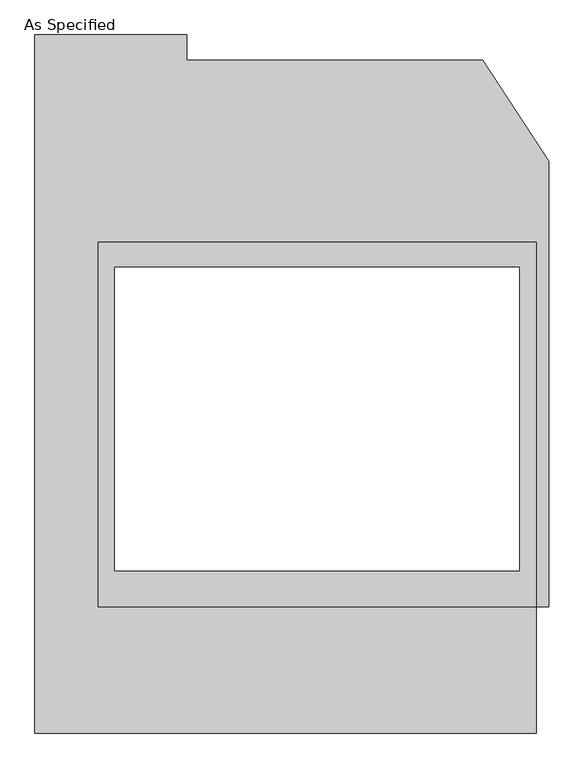
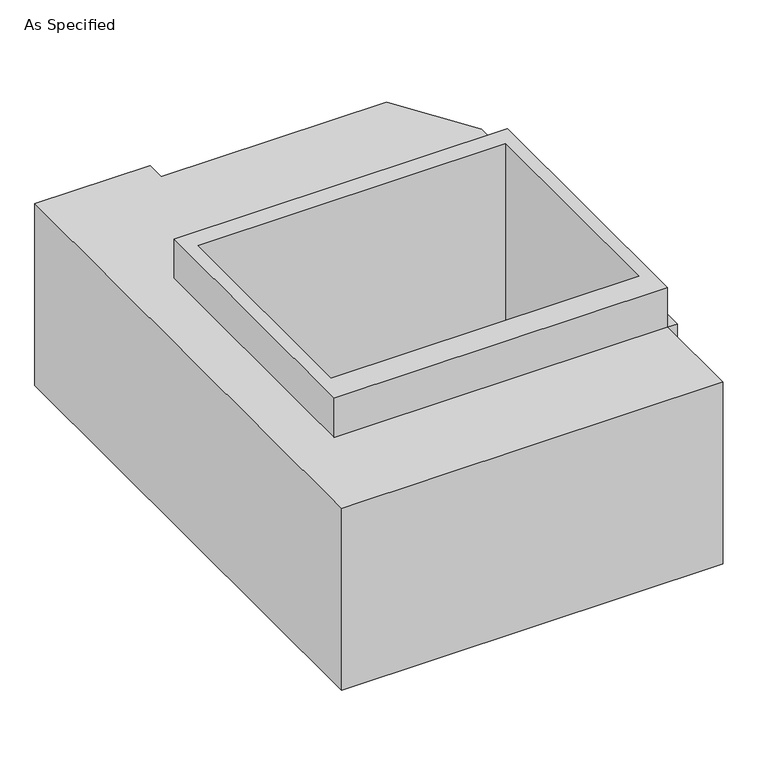
"""IFC4 building model written with IfcOpenShell, lengths in millimetres: proxy geometry, As Specified."""

from ifc_helpers import new_model, si_unit, frame, origin, place, context, project, spatial, polyline, outline, extrude, source, transform, mapped, element, save


def as_specified_9fbff9e7(model_context):
    return source(origin(), model_context, "Body", "SweptSolid", [
        extrude(outline(polyline([(660.4, 465.4351562), (660.4, -633.1148438), (-660.4, -633.1148438), (-660.4, 465.4351562), (660.4, 465.4351562)]), holes=[polyline([(-609.6, 389.2748437), (-609.6, -525.1251563), (609.6, -525.1251563), (609.6, 389.2748437), (-609.6, 389.2748437)])]), frame((0.0, 0.0, -952.5), z_axis=(0.0, 0.0, 1.0), x_axis=(1.0, 0.0, 0.0)), (0.0, 0.0, 1.0), 1092.2),
        extrude(outline(polyline([(660.4, -633.1148438), (660.4, -1014.1148438), (-850.9, -1014.1148438), (-850.9, 1090.2751562), (-393.7, 1090.2751562), (-393.7, 1014.1148437), (499.060123, 1014.1148437), (698.5, 709.6233299), (698.5, -633.1148438), (660.4, -633.1148438)]), holes=[polyline([(609.6, -525.1251563), (609.6, 389.2748437), (-609.6, 389.2748437), (-609.6, -525.1251563), (609.6, -525.1251563)])]), frame((0.0, 0.0, -787.4), z_axis=(0.0, 0.0, 1.0), x_axis=(1.0, 0.0, 0.0)), (0.0, 0.0, 1.0), 762.0),
    ])


if __name__ == "__main__":
    model = new_model("IFC4")
    model_context = context("Model", 3, world=origin())
    ifc_project = project(units=[si_unit("LENGTHUNIT", "METRE", prefix="MILLI")], contexts=[model_context])
    site = spatial("IfcSite", under=ifc_project)
    building = spatial("IfcBuilding", under=site)
    placement = place(None, origin())
    as_specified_shape = as_specified_9fbff9e7(model_context)
    element("IfcBuildingElementProxy", 1, Name="As Specified", ObjectType="As Specified", at=placement, inside=building, context=model_context, shape_type="MappedRepresentation", body=[
        mapped(as_specified_shape, transform((0.0, 0.0, 0.0), x_axis=(1.0, 0.0, 0.0), y_axis=(0.0, 1.0, 0.0), z_axis=(0.0, 0.0, 1.0))),
    ])
    save(model, "model.ifc")
